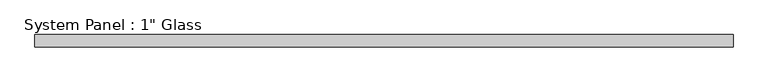
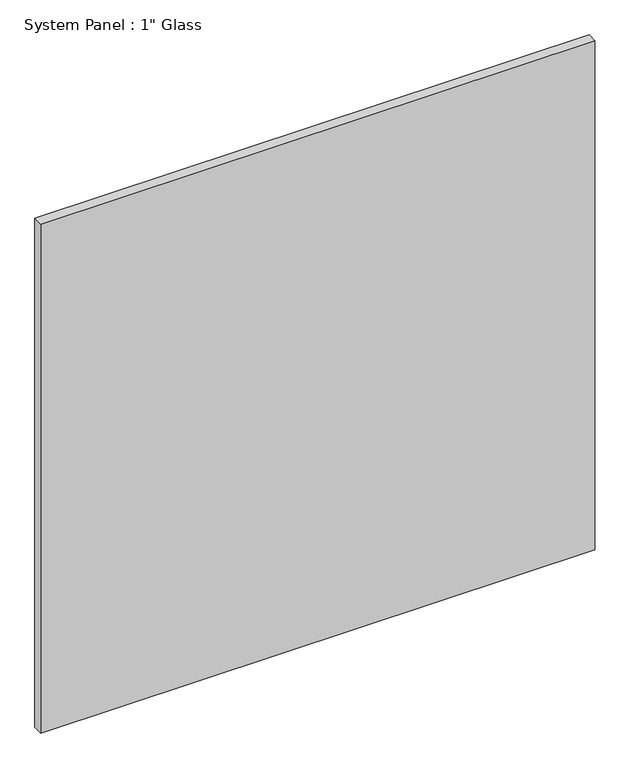
"""IFC4 building model written with IfcOpenShell, lengths in millimetres: plate geometry."""

from ifc_helpers import new_model, si_unit, origin, origin_with_axes, place, context, project, spatial, polyline, outline, extrude, source, transform, mapped, element, save


def plate_71991209(model_context):
    return source(origin(), model_context, "Body", "SweptSolid", [
        extrude(outline(polyline([(717.5508852, -12.7), (-717.5508852, -12.7), (-717.5508852, 12.7), (717.5508852, 12.7), (717.5508852, -12.7)])), origin_with_axes(), (0.0, 0.0, 1.0), 1393.1935408),
    ])


if __name__ == "__main__":
    model = new_model("IFC4")
    model_context = context("Model", 3, world=origin())
    ifc_project = project(units=[si_unit("LENGTHUNIT", "METRE", prefix="MILLI")], contexts=[model_context])
    site = spatial("IfcSite", under=ifc_project)
    building = spatial("IfcBuilding", under=site)
    placement = place(None, origin())
    plate_shape = plate_71991209(model_context)
    element("IfcPlate", 1, ObjectType="System Panel : 1\" Glass", at=placement, inside=building, context=model_context, shape_type="MappedRepresentation", body=[
        mapped(plate_shape, transform((0.0, 0.0, 0.0), x_axis=(1.0, 0.0, 0.0), y_axis=(0.0, 1.0, 0.0), z_axis=(0.0, 0.0, 1.0))),
    ])
    save(model, "model.ifc")
